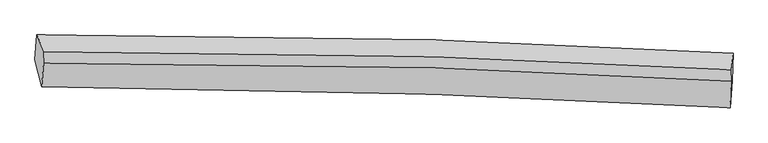
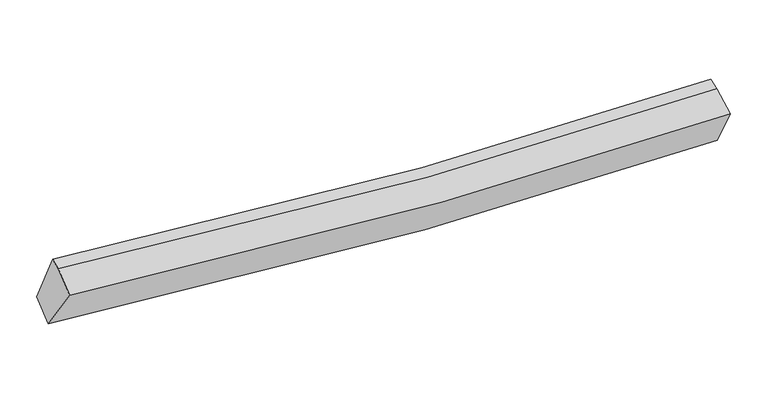
"""IFC4 building model written with IfcOpenShell, lengths in millimetres: proxy geometry."""

from ifc_helpers import new_model, si_unit, frame, origin, place, context, project, spatial, source, transform, mapped, element, save
from ifc_brep_helpers import plane_surface, spline_curve, spline_surface, advanced_brep


def generic_models_a0eb5036(model_context):
    return source(origin(), model_context, "Body", "AdvancedBrep", [
        advanced_brep(
        [(-4426.6767003, -1944.434257, 2862.9856645), (-4400.9038813, -1616.9033334, 3062.2898336), (4837.6153365, -1859.4786384, 2684.6987898), (4823.9552752, -2221.945732, 2525.6530585), (-4336.7460713, -2307.3736232, 3478.2803081), (4796.9774247, -2582.6698727, 3148.1884309), (-4312.1112907, -1990.5888148, 3668.9817133), (4810.2993015, -2230.9640502, 3298.5818594), (-4306.1152234, -1838.848916, 3719.3707028), (4816.2953689, -2079.2241513, 3348.9708489)],
        [
            (0, 1),
            (1, 2, spline_curve(3, [(-4400.9038813, -1616.9033334, 3062.2898336), (-2658.487194514, -1607.388059628, 2838.9047603), (-915.130440467, -1629.197229731, 2701.662705188), (2164.764883295, -1723.014960384, 2611.437417354), (3500.914534268, -1782.064225289, 2622.815791), (4837.6153365, -1859.4786384, 2684.6987898)], [4, 2, 4], [0.0, 17.21706906843626, 30.400084330610323])),
            (2, 3),
            (3, 0, spline_curve(3, [(4823.9552752, -2221.945732, 2525.6530585), (3487.214814503, -2148.349614911, 2468.244161515), (2150.283422853, -2089.27289059, 2456.876120756), (-933.125839563, -1986.5235118, 2536.831770661), (-2679.738439862, -1953.096411226, 2660.644012689), (-4426.6767003, -1944.434257, 2862.9856645)], [4, 2, 4], [0.0, 13.183015262174063, 30.400084330610323])),
            (4, 0),
            (3, 5),
            (5, 4, spline_curve(3, [(4796.9774247, -2582.6698727, 3148.1884309), (3473.787828304, -2509.759073272, 3091.230786582), (2151.859285246, -2451.20933839, 3079.664433367), (-893.605070735, -2349.310092374, 3157.664870292), (-2616.251025831, -2316.094410719, 3279.261849304), (-4336.7460713, -2307.3736232, 3478.2803081)], [4, 2, 4], [0.0, 13.10562480234379, 30.221621630049285])),
            (6, 4),
            (5, 7),
            (7, 6, spline_curve(3, [(4810.2993015, -2230.9640502, 3298.5818594), (3487.05665284, -2154.230266399, 3237.147026178), (2165.807204587, -2095.704385154, 3225.571696036), (-876.402819886, -2002.730970678, 3313.855148776), (-2595.956902896, -1981.131773444, 3448.897096473), (-4312.1112907, -1990.5888148, 3668.9817133)], [4, 2, 4], [0.0, 13.016772748536766, 30.016728449319096])),
            (8, 6),
            (7, 9),
            (9, 8, spline_curve(3, [(4816.2953689, -2079.2241513, 3348.9708489), (3493.052720356, -2002.490367223, 3287.536015498), (2171.803272091, -1943.964486135, 3275.960685722), (-870.406752853, -1850.991071934, 3364.244138264), (-2589.960835477, -1829.391874647, 3499.286085829), (-4306.1152234, -1838.848916, 3719.3707028)], [4, 2, 4], [0.0, 13.01090460184107, 30.00319648027667])),
            (1, 8),
            (9, 2),
        ],
        [
            spline_surface(3, 3, [[(-4426.6767003, -1944.434257, 2862.9856645), (-2679.738439661, -1953.096411213, 2660.644012762), (-933.125839439, -1986.52351193, 2536.831770401), (2150.283422758, -2089.272890491, 2456.876120956), (3487.214814423, -2148.349614725, 2468.244161311), (4823.9552752, -2221.945732, 2525.6530585)], [(-4418.085760652, -1835.257282489, 2929.420387532), (-2672.65469137, -1837.860294004, 2720.064261865), (-927.127373016, -1867.414751168, 2591.775415307), (2155.110576212, -1967.186913809, 2508.396553059), (3491.781387793, -2026.254484921, 2519.768037856), (4828.50862899, -2101.123367467, 2578.668302265)], [(-4409.494820948, -1726.080307911, 2995.855110568), (-2665.570943024, -1722.624176726, 2779.484510974), (-921.128906622, -1748.305990408, 2646.719060292), (2159.937729637, -1845.10093713, 2559.916985242), (3496.347961091, -1904.159355118, 2571.291914407), (4833.06198271, -1980.301002933, 2631.683546035)], [(-4400.9038813, -1616.9033334, 3062.2898336), (-2658.487194732, -1607.388059516, 2838.904760077), (-915.130440199, -1629.197229646, 2701.662705198), (2164.76488309, -1723.014960449, 2611.437417345), (3500.914534461, -1782.064225314, 2622.815790952), (4837.6153365, -1859.4786384, 2684.6987898)]], [4, 4], [4, 2, 4], [0.0, 1.2965107433092404], [0.0, 17.21706906843626, 30.400084330610323]),
            spline_surface(3, 3, [[(-4336.7460713, -2307.3736232, 3478.2803081), (-2616.251025953, -2316.094410902, 3279.261849402), (-893.605070602, -2349.310092393, 3157.664870294), (2151.859285145, -2451.209338376, 3079.664433366), (3473.787828482, -2509.759073388, 3091.230786697), (4796.9774247, -2582.6698727, 3148.1884309)], [(-4366.722947615, -2186.393834451, 3273.182093577), (-2637.413497171, -2195.095077657, 3073.055903865), (-906.778660199, -2228.381232243, 2950.720503683), (2151.333997698, -2330.563855752, 2872.068329249), (3478.263490464, -2389.289253845, 2883.568578226), (4805.970041535, -2462.428492478, 2940.676640091)], [(-4396.699823985, -2065.414045749, 3068.083879023), (-2658.575968443, -2074.095744458, 2866.849958299), (-919.952249842, -2107.452372079, 2743.776137012), (2150.808710205, -2209.918373114, 2664.472225072), (3482.739152442, -2268.819434268, 2675.906369782), (4814.962658365, -2342.187112222, 2733.164849309)], [(-4426.6767003, -1944.434257, 2862.9856645), (-2679.738439661, -1953.096411213, 2660.644012762), (-933.125839439, -1986.52351193, 2536.831770401), (2150.283422758, -2089.272890491, 2456.876120956), (3487.214814423, -2148.349614725, 2468.244161311), (4823.9552752, -2221.945732, 2525.6530585)]], [4, 4], [4, 2, 4], [0.0, 2.3619964160687736], [0.0, 17.115996827705494, 30.221621630049285]),
            spline_surface(3, 3, [[(-4312.1112907, -1990.5888148, 3668.9817133), (-2595.956902634, -1981.131773252, 3448.897096497), (-876.402820103, -2002.730970617, 3313.855148545), (2165.807204753, -2095.704385201, 3225.571696213), (3487.056652945, -2154.230266332, 3237.147026196), (4810.2993015, -2230.9640502, 3298.5818594)], [(-4320.322884232, -2096.183750929, 3605.414578236), (-2602.721610405, -2092.785985798, 3392.352014135), (-882.136903611, -2118.257344559, 3261.791722443), (2161.157898209, -2214.206036276, 3176.935941912), (3482.633711443, -2272.739868693, 3188.50827972), (4805.858675885, -2348.199324376, 3248.45071659)], [(-4328.534477768, -2201.778687071, 3541.847443164), (-2609.486318181, -2204.440198356, 3335.806931764), (-887.870987094, -2233.783718451, 3209.728296397), (2156.50859169, -2332.707687301, 3128.300187667), (3478.210769984, -2391.249471027, 3139.869533173), (4801.418050315, -2465.434598524, 3198.31957371)], [(-4336.7460713, -2307.3736232, 3478.2803081), (-2616.251025953, -2316.094410902, 3279.261849402), (-893.605070602, -2349.310092393, 3157.664870294), (2151.859285145, -2451.209338376, 3079.664433366), (3473.787828482, -2509.759073388, 3091.230786697), (4796.9774247, -2582.6698727, 3148.1884309)]], [4, 4], [4, 2, 4], [0.0, 1.2527259528249477], [0.0, 16.99995570078233, 30.016728449319096]),
            spline_surface(3, 3, [[(-4306.1152234, -1838.848916, 3719.3707028), (-2589.960835334, -1829.391874452, 3499.286085997), (-870.406752803, -1850.991071717, 3364.244138145), (2171.803272053, -1943.964486301, 3275.960685813), (3493.052720345, -2002.490367432, 3287.536015696), (4816.2953689, -2079.2241513, 3348.9708489)], [(-4308.113912516, -1889.428882287, 3702.574372942), (-2591.959524449, -1879.971840739, 3482.489756139), (-872.405441919, -1901.571038004, 3347.447808287), (2169.804582938, -1994.544452588, 3259.164355955), (3491.054031229, -2053.070333718, 3270.739685838), (4814.296679784, -2129.804117587, 3332.174519042)], [(-4310.112601584, -1940.008848513, 3685.778043158), (-2593.958213518, -1930.551806965, 3465.693426354), (-874.404130988, -1952.15100433, 3330.651478403), (2167.805893869, -2045.124418914, 3242.368026071), (3489.055342061, -2103.650300045, 3253.943356053), (4812.297990616, -2180.384083913, 3315.378189258)], [(-4312.1112907, -1990.5888148, 3668.9817133), (-2595.956902634, -1981.131773252, 3448.897096497), (-876.402820103, -2002.730970617, 3313.855148545), (2165.807204753, -2095.704385201, 3225.571696213), (3487.056652945, -2154.230266332, 3237.147026196), (4810.2993015, -2230.9640502, 3298.5818594)]], [4, 4], [4, 2, 4], [0.0, 0.524934383202101], [0.0, 16.9922918784356, 30.00319648027667]),
            spline_surface(3, 3, [[(-4400.9038813, -1616.9033334, 3062.2898336), (-2658.487194732, -1607.388059516, 2838.904760077), (-915.130440199, -1629.197229646, 2701.662705198), (2164.76488309, -1723.014960449, 2611.437417345), (3500.914534461, -1782.064225314, 2622.815790952), (4837.6153365, -1859.4786384, 2684.6987898)], [(-4369.307661986, -1690.885194243, 3281.316790013), (-2635.645074918, -1681.389331138, 3059.03186873), (-900.222544401, -1703.128510329, 2922.523182864), (2167.111012744, -1796.664802392, 2832.945173518), (3498.293929727, -1855.539606013, 2844.389199211), (4830.508680605, -1932.727142693, 2906.122809512)], [(-4337.711442714, -1764.867055157, 3500.343746387), (-2612.802955148, -1755.39060283, 3279.158977343), (-885.314648601, -1777.059791035, 3143.38366048), (2169.4571424, -1870.314644358, 3054.452929641), (3495.673325079, -1929.014986733, 3065.962607436), (4823.402024795, -2005.975647007, 3127.546829188)], [(-4306.1152234, -1838.848916, 3719.3707028), (-2589.960835334, -1829.391874452, 3499.286085997), (-870.406752803, -1850.991071717, 3364.244138145), (2171.803272053, -1943.964486301, 3275.960685813), (3493.052720345, -2002.490367432, 3287.536015696), (4816.2953689, -2079.2241513, 3348.9708489)]], [4, 4], [4, 2, 4], [0.0, 2.296376587875917], [0.0, 17.10048062896444, 30.194224763117774]),
            plane_surface(frame((4817.0285413, -2194.8564889, 3001.2185975), z_axis=(0.9988332984477704, -0.045154568148499934, 0.017120364694418827), x_axis=(-0.034806271992464874, -0.9189071978347972, -0.39293521755804417))),
            plane_surface(frame((-4356.5106334, -1939.6297889, 3358.3816444), z_axis=(-0.990080341834308, -0.007467888860720265, 0.14030376812197273), x_axis=(-0.06706967967777176, -0.8523473576076738, -0.5186575363832454))),
        ],
        [
            (0, [[1, 2, 3, 4]]),
            (1, [[5, -4, 6, 7]]),
            (2, [[8, -7, 9, 10]]),
            (3, [[11, -10, 12, 13]]),
            (4, [[14, -13, 15, -2]]),
            (5, [[-9, -6, -3, -15, -12]]),
            (6, [[-1, -5, -8, -11, -14]]),
        ],
    ),
    ])


if __name__ == "__main__":
    model = new_model("IFC4")
    model_context = context("Model", 3, world=origin())
    ifc_project = project(units=[si_unit("LENGTHUNIT", "METRE", prefix="MILLI")], contexts=[model_context])
    site = spatial("IfcSite", under=ifc_project)
    building = spatial("IfcBuilding", under=site)
    placement = place(None, origin())
    generic_models_shape = generic_models_a0eb5036(model_context)
    element("IfcBuildingElementProxy", 1, Name="Generic Models", at=placement, inside=building, context=model_context, shape_type="MappedRepresentation", body=[
        mapped(generic_models_shape, transform((0.0, 0.0, 0.0), x_axis=(1.0, 0.0, 0.0), y_axis=(0.0, 1.0, 0.0), z_axis=(0.0, 0.0, 1.0))),
    ])
    save(model, "model.ifc")
